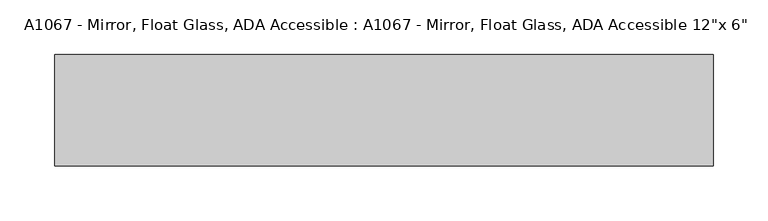
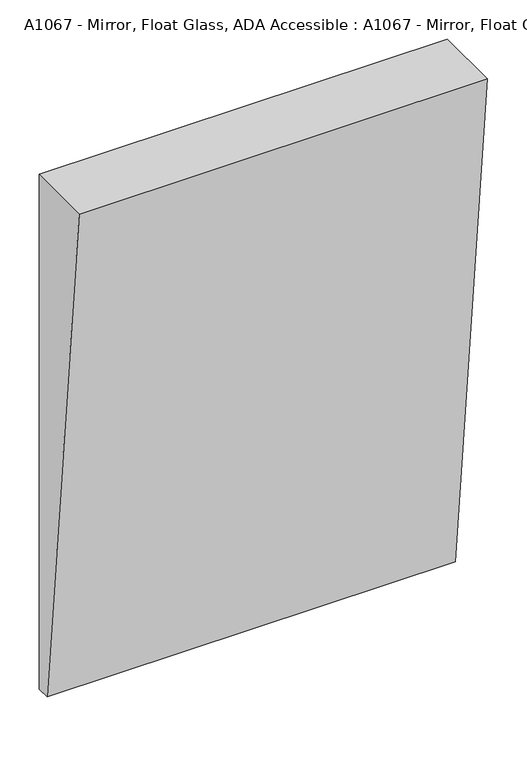
"""IFC4 building model written with IfcOpenShell, lengths in millimetres: proxy geometry."""

from ifc_helpers import new_model, si_unit, frame, origin, place, context, project, spatial, polyline, outline, extrude, source, transform, mapped, element, save


def proxy_5244c40b(model_context):
    return source(origin(), model_context, "Body", "SweptSolid", [
        extrude(outline(polyline([(0.0, 800.1), (0.0, 0.1), (-20.0, 0.1), (-101.6, 800.1), (0.0, 800.1)])), frame((0.0, 0.0, 0.0), z_axis=(1.0, 0.0, 0.0), x_axis=(0.0, 1.0, 0.0)), (0.0, 0.0, 1.0), 600.0),
    ])


if __name__ == "__main__":
    model = new_model("IFC4")
    model_context = context("Model", 3, world=origin())
    ifc_project = project(units=[si_unit("LENGTHUNIT", "METRE", prefix="MILLI")], contexts=[model_context])
    site = spatial("IfcSite", under=ifc_project)
    building = spatial("IfcBuilding", under=site)
    placement = place(None, origin())
    proxy_shape = proxy_5244c40b(model_context)
    element("IfcBuildingElementProxy", 1, Name="A1067 - Mirror, Float Glass, ADA Accessible : A1067 - Mirror, Float Glass, ADA Accessible 12\"x 6\"", ObjectType="A1067 - Mirror, Float Glass, ADA Accessible : A1067 - Mirror, Float Glass, ADA Accessible 12\"x 6\"", at=placement, inside=building, context=model_context, shape_type="MappedRepresentation", body=[
        mapped(proxy_shape, transform((0.0, 0.0, 0.0), x_axis=(1.0, 0.0, 0.0), y_axis=(0.0, 1.0, 0.0), z_axis=(0.0, 0.0, 1.0))),
    ])
    save(model, "model.ifc")
